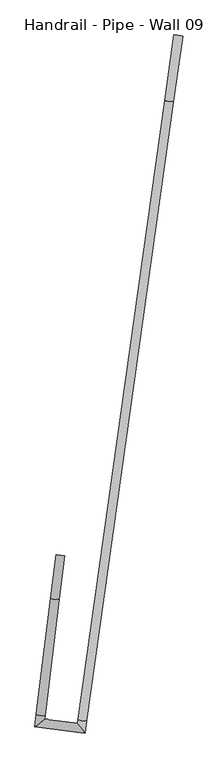
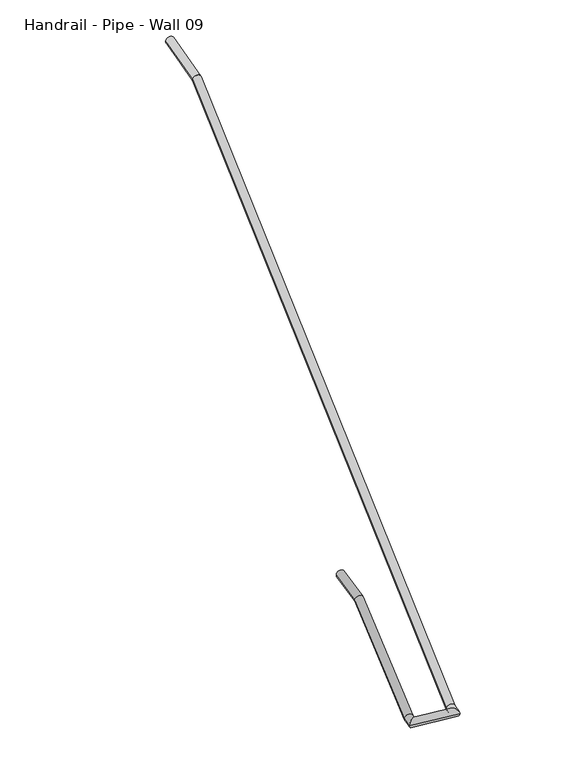
"""IFC4 building model written with IfcOpenShell, lengths in millimetres: railing geometry, Handrail - Pipe - Wall 09."""

import ifcopenshell
import ifcopenshell.guid

model = None  # the IFC model being written
_history = None  # IfcOwnerHistory: only IFC2X3 demands one
_inside = {}  # id of a spatial element -> (the spatial element, [elements in it])
_under = {}  # id of a project, library or spatial element -> (it, [spatial elements below it])
_declared = {}  # id of a project -> (the project, [libraries it declares])
_typed = {}  # id of a type object -> (the type object, [elements of that type])
_made_of = {}  # id of a material, layer set ... -> (it, [elements and type objects made of it])


def new_model(schema):
    """Start an empty IFC model of exactly this schema.

    Asked for "IFC4X3", IfcOpenShell would pick the latest addendum, in which some entities
    have other attributes; the version numbers below select the first issue.
    IFC2X3 requires an IfcOwnerHistory on every rooted entity: one is made here for all.
    """
    global model, _history
    if schema == "IFC4X3":
        model = ifcopenshell.file(schema_version=(4, 3, 0, 0))
    else:
        model = ifcopenshell.file(schema=schema)
    _inside.clear()
    _under.clear()
    _declared.clear()
    _typed.clear()
    _made_of.clear()
    _history = None
    if model.schema == "IFC2X3":
        org = make("IfcOrganization", Name="unknown")
        user = make(
            "IfcPersonAndOrganization",
            ThePerson=make("IfcPerson", FamilyName="unknown"),
            TheOrganization=org,
        )
        app = make(
            "IfcApplication",
            ApplicationDeveloper=org,
            Version="unknown",
            ApplicationFullName="unknown",
            ApplicationIdentifier="unknown",
        )
        _history = make(
            "IfcOwnerHistory",
            OwningUser=user,
            OwningApplication=app,
            ChangeAction="ADDED",
            CreationDate=0,
        )
    return model


def make(cls, **values):
    """One entity of the class cls with the attributes given. An attribute that is None is left unset."""
    return model.create_entity(
        cls, **{name: value for name, value in values.items() if value is not None}
    )


def rooted(cls, **values):
    """An entity with a GlobalId (a new one), such as an element, a storey or a relation."""
    return make(cls, GlobalId=ifcopenshell.guid.new(), OwnerHistory=_history, **values)


def si_unit(unit_type, name, prefix=None):
    """IfcSIUnit, for example si_unit("LENGTHUNIT", "METRE", prefix="MILLI")."""
    return make("IfcSIUnit", UnitType=unit_type, Prefix=prefix, Name=name)


def assignment(units):
    """IfcUnitAssignment: the units of a project."""
    return None if units is None else make("IfcUnitAssignment", Units=units)


def point(xyz):
    """IfcCartesianPoint."""
    return None if xyz is None else make("IfcCartesianPoint", Coordinates=xyz)


def direction(xyz):
    """IfcDirection."""
    return None if xyz is None else make("IfcDirection", DirectionRatios=xyz)


def frame(location, z_axis=None, x_axis=None):
    """IfcAxis2Placement3D, a coordinate frame: its origin and axes. An axis left out is left unset."""
    return make(
        "IfcAxis2Placement3D",
        Location=point(location),
        Axis=direction(z_axis),
        RefDirection=direction(x_axis),
    )


def origin():
    """The frame at (0, 0, 0) with its axes left unset."""
    return frame((0.0, 0.0, 0.0))


def place(relative_to, where):
    """IfcLocalPlacement: puts the frame where relative to a parent placement (None: the world)."""
    return make(
        "IfcLocalPlacement", PlacementRelTo=relative_to, RelativePlacement=where
    )


def context(
    kind, dimensions, precision=None, world=None, true_north=None, identifier=None
):
    """IfcGeometricRepresentationContext, for example the 3D "Model" context."""
    return make(
        "IfcGeometricRepresentationContext",
        ContextIdentifier=identifier,
        ContextType=kind,
        CoordinateSpaceDimension=dimensions,
        Precision=precision,
        WorldCoordinateSystem=world,
        TrueNorth=true_north,
    )


def project(units=None, contexts=None):
    """IfcProject with its units and contexts."""
    return rooted(
        "IfcProject",
        Name="project",
        RepresentationContexts=contexts,
        UnitsInContext=assignment(units),
    )


def spatial(cls, under=None, at=None, **own):
    """A site, building, storey or space (cls), placed at a placement, below another one or the project."""
    s = rooted(cls, ObjectPlacement=at, **own)
    if under is not None:
        _under.setdefault(under.id(), (under, []))[1].append(s)
    return s


def circle_curve(where, radius):
    """IfcCircle in the frame where."""
    return make("IfcCircle", Position=where, Radius=radius)


def ellipse_curve(where, semi_axis1, semi_axis2):
    """IfcEllipse in the frame where."""
    return make(
        "IfcEllipse", Position=where, SemiAxis1=semi_axis1, SemiAxis2=semi_axis2
    )


def shape(context_of_items, identifier, shape_type, items):
    """IfcShapeRepresentation: the items that make up one representation, for example the "Body"."""
    return make(
        "IfcShapeRepresentation",
        ContextOfItems=context_of_items,
        RepresentationIdentifier=identifier,
        RepresentationType=shape_type,
        Items=items,
    )


def source(mapping_origin, context_of_items, identifier, shape_type, items):
    """IfcRepresentationMap: a shape defined once, which mapped items show again and again."""
    return make(
        "IfcRepresentationMap",
        MappingOrigin=mapping_origin,
        MappedRepresentation=shape(context_of_items, identifier, shape_type, items),
    )


def transform(
    local_origin,
    x_axis=None,
    y_axis=None,
    z_axis=None,
    scale=None,
    scale2=None,
    scale3=None,
    uniform=True,
):
    """IfcCartesianTransformationOperator3D, or its non-uniform kind. x_axis, y_axis, z_axis: its Axis1, 2, 3."""
    if uniform:
        return make(
            "IfcCartesianTransformationOperator3D",
            Axis1=direction(x_axis),
            Axis2=direction(y_axis),
            LocalOrigin=point(local_origin),
            Scale=scale,
            Axis3=direction(z_axis),
        )
    return make(
        "IfcCartesianTransformationOperator3DnonUniform",
        Axis1=direction(x_axis),
        Axis2=direction(y_axis),
        LocalOrigin=point(local_origin),
        Scale=scale,
        Axis3=direction(z_axis),
        Scale2=scale2,
        Scale3=scale3,
    )


def mapped(mapping_source, mapping_target):
    """IfcMappedItem: shows the shape of a source again, moved by a transform."""
    return make(
        "IfcMappedItem", MappingSource=mapping_source, MappingTarget=mapping_target
    )


def made_of(thing, what):
    """Note that an element or type object is made of a material, layer set ...; save() writes the relation."""
    if what is not None:
        _made_of.setdefault(what.id(), (what, []))[1].append(thing)
    return thing


def element(
    cls,
    number,
    at=None,
    inside=None,
    cuts=None,
    type_object=None,
    material=None,
    context=None,
    identifier="Body",
    shape_type=None,
    held_by="IfcProductDefinitionShape",
    body=None,
    shapes=None,
    **own,
):
    """One element of the class cls, such as IfcWall. Its Tag is "e" and its number.

    at: its placement. inside: the storey or other place that contains it. cuts: it is an
    opening in that element (IfcRelVoidsElement). A single representation is given by context,
    identifier, shape_type and body (its items); several are given by shapes. held_by: the class
    of the entity that holds the representations. save() writes the other relations.
    """
    e = rooted(cls, Tag="e%d" % number, ObjectPlacement=at, **own)
    if body is not None:
        shapes = [shape(context, identifier, shape_type, body)]
    if shapes is not None:
        e.Representation = make(held_by, Representations=shapes)
    if inside is not None:
        _inside.setdefault(inside.id(), (inside, []))[1].append(e)
    if cuts is not None:
        rooted(
            "IfcRelVoidsElement", RelatingBuildingElement=cuts, RelatedOpeningElement=e
        )
    if type_object is not None:
        _typed.setdefault(type_object.id(), (type_object, []))[1].append(e)
    return made_of(e, material)


def aggregate(whole, parts):
    """IfcRelAggregates: a whole, such as a stair, and the parts it consists of."""
    return rooted("IfcRelAggregates", RelatingObject=whole, RelatedObjects=parts)


def save(model, path):
    """Write the relations noted so far, then the file.

    IfcRelAggregates (storeys below a building ...), IfcRelContainedInSpatialStructure (elements
    in a storey), IfcRelDefinesByType, IfcRelAssociatesMaterial and IfcRelDeclares: one each for
    every whole, place, type object, material and project.
    """
    for whole, parts in _under.values():
        aggregate(whole, parts)
    for where, things in _inside.values():
        rooted(
            "IfcRelContainedInSpatialStructure",
            RelatedElements=things,
            RelatingStructure=where,
        )
    for kind, things in _typed.values():
        rooted("IfcRelDefinesByType", RelatedObjects=things, RelatingType=kind)
    for what, things in _made_of.values():
        rooted("IfcRelAssociatesMaterial", RelatedObjects=things, RelatingMaterial=what)
    for by, libraries in _declared.values():
        rooted("IfcRelDeclares", RelatingContext=by, RelatedDefinitions=libraries)
    model.write(path)


def plane_surface(at):
    """IfcPlane: the flat surface through the origin of the frame at, square to its z axis."""
    return make("IfcPlane", Position=at)


def cylinder_surface(at, radius):
    """IfcCylindricalSurface: all points at the distance radius from the z axis of the frame at."""
    return make("IfcCylindricalSurface", Position=at, Radius=radius)


def advanced_brep(points, edges, surfaces, faces):
    """IfcAdvancedBrep: a solid bounded by faces that lie on surfaces and meet in shared edges.

    An edge is (start, end): straight between two places in points (the first is 0);
    or (start, end, curve); or (start, end, curve, False) where it runs against its curve.
    A face is (place in surfaces, loops), or (place, loops, False) where it looks against
    its surface's normal. A loop lists edges by number (the first is 1), with a minus sign
    where the edge is run from its end to its start. The first loop is the outer one.
    """
    corners = [point(p) for p in points]
    vertices = [make("IfcVertexPoint", VertexGeometry=c) for c in corners]
    made = []
    for start, end, *more in edges:
        made.append(
            make(
                "IfcEdgeCurve",
                EdgeStart=vertices[start],
                EdgeEnd=vertices[end],
                EdgeGeometry=more[0] if more else make("IfcPolyline", Points=[corners[start], corners[end]]),
                SameSense=more[1] if len(more) > 1 else True,
            )
        )
    hull = []
    for where, loops, *sense in faces:
        bounds = []
        for j, loop in enumerate(loops):
            ring = [make("IfcOrientedEdge", EdgeElement=made[abs(k) - 1], Orientation=k > 0) for k in loop]
            bounds.append(
                make(
                    "IfcFaceOuterBound" if j == 0 else "IfcFaceBound",
                    Bound=make("IfcEdgeLoop", EdgeList=ring),
                    Orientation=True,
                )
            )
        hull.append(make("IfcAdvancedFace", Bounds=bounds, FaceSurface=surfaces[where], SameSense=sense[0] if sense else True))
    return make("IfcAdvancedBrep", Outer=make("IfcClosedShell", CfsFaces=hull))


def handrail_pipe_wall_09_806f57ef(model_context):
    return source(origin(), model_context, "Body", "AdvancedBrep", [
        advanced_brep(
        [(-15408.3787004, 19007.3059949, -10109.2), (-15446.1947087, 19011.9492168, -10109.2), (-15431.376333, 18820.0053075, -10109.2), (-15469.1923414, 18824.6485294, -10109.2), (-15531.7238303, 18315.3704213, -10363.2), (-15493.9078219, 18310.7271994, -10363.2), (-15495.9987383, 18293.6980522, -10363.2), (-15538.4579686, 18260.5252658, -10363.2), (-15351.4673952, 18275.9518347, -10363.2), (-15318.9489292, 18233.5729448, -10363.2), (-15349.0304867, 18293.2913389, -10363.2), (-15311.3012733, 18287.9888438, -10363.2), (-14968.9341683, 20997.817175, -9042.4), (-14931.2049549, 20992.5146798, -9042.4), (-14928.8891427, 21282.7523377, -9042.4), (-14891.1599293, 21277.4498426, -9042.4)],
        [
            (0, 1, circle_curve(frame((-15427.2867046, 19009.6276058, -10109.2), z_axis=(0.12186934340515017, 0.9925461516413218, 0.0), x_axis=(-0.9925461516413218, 0.12186934340515017, 0.0)), 19.05)),
            (1, 0, circle_curve(frame((-15427.2867046, 19009.6276058, -10109.2), z_axis=(0.12186934340515017, 0.9925461516413218, 0.0), x_axis=(-0.9925461516413218, 0.12186934340515017, 0.0)), 19.05)),
            (0, 2),
            (2, 3, ellipse_curve(frame((-15450.2843372, 18822.3269184, -10109.2), z_axis=(0.11866478092330167, 0.9664470846390696, 0.22781286697872805), x_axis=(0.027763404517948478, 0.2261147844141132, -0.9737049335599218)), 19.5644485, 19.05)),
            (3, 1),
            (3, 2, ellipse_curve(frame((-15450.2843372, 18822.3269184, -10109.2), z_axis=(0.11866478092330167, 0.9664470846390696, 0.22781286697872805), x_axis=(0.027763404517948478, 0.2261147844141132, -0.9737049335599218)), 19.5644485, 19.05)),
            (4, 5, ellipse_curve(frame((-15512.8158261, 18313.0488103, -10363.2), z_axis=(-0.11866478092330168, -0.9664470846390696, -0.22781286697872802), x_axis=(0.0277634045179486, 0.2261147844141132, -0.9737049335599219)), 19.5644485, 19.05)),
            (5, 6),
            (6, 7, ellipse_curve(frame((-15517.2283534, 18277.111659, -10363.2), z_axis=(-0.6156614753256539, 0.7880107536067253, 0.0), x_axis=(0.7880107536067252, 0.6156614753256541, 0.0)), 26.9407684, 19.05)),
            (7, 4),
            (5, 4, ellipse_curve(frame((-15512.8158261, 18313.0488103, -10363.2), z_axis=(-0.11866478092330168, -0.9664470846390696, -0.22781286697872802), x_axis=(0.0277634045179486, 0.2261147844141132, -0.9737049335599219)), 19.5644485, 19.05)),
            (7, 6, ellipse_curve(frame((-15517.2283534, 18277.111659, -10363.2), z_axis=(-0.6156614753256539, 0.7880107536067253, 0.0), x_axis=(0.7880107536067252, 0.6156614753256541, 0.0)), 26.9407684, 19.05)),
            (6, 8),
            (8, 9, ellipse_curve(frame((-15335.2081622, 18254.7623897, -10363.2), z_axis=(-0.7933533402912379, -0.6087614290087172, 0.0), x_axis=(-0.6087614290087169, 0.7933533402912378, 0.0)), 26.7087108, 19.05)),
            (9, 7),
            (9, 8, ellipse_curve(frame((-15335.2081622, 18254.7623897, -10363.2), z_axis=(-0.7933533402912379, -0.6087614290087172, 0.0), x_axis=(-0.6087614290087169, 0.7933533402912378, 0.0)), 26.7087108, 19.05)),
            (8, 10),
            (10, 11, ellipse_curve(frame((-15330.16588, 18290.6400914, -10363.2), z_axis=(-0.13565808321449646, -0.9652574179011021, -0.2233271180252541), x_axis=(-0.031081127544049833, -0.2211537138644901, 0.9747435551746592)), 19.5436019, 19.05)),
            (11, 9),
            (11, 10, ellipse_curve(frame((-15330.16588, 18290.6400914, -10363.2), z_axis=(-0.13565808321449646, -0.9652574179011021, -0.2233271180252541), x_axis=(-0.031081127544049833, -0.2211537138644901, 0.9747435551746592)), 19.5436019, 19.05)),
            (2, 5),
            (4, 3),
            (10, 12),
            (12, 13, ellipse_curve(frame((-14950.0695616, 20995.1659274, -9042.4), z_axis=(-0.13565808321449654, -0.9652574179011022, -0.22332711802525415), x_axis=(0.031081127544049965, 0.22115371386448912, -0.9747435551746593)), 19.5436019, 19.05)),
            (13, 11),
            (13, 12, ellipse_curve(frame((-14950.0695616, 20995.1659274, -9042.4), z_axis=(-0.13565808321449654, -0.9652574179011022, -0.22332711802525415), x_axis=(0.031081127544049965, 0.22115371386448912, -0.9747435551746593)), 19.5436019, 19.05)),
            (14, 15, circle_curve(frame((-14910.024536, 21280.1010901, -9042.4), z_axis=(0.13917310096006616, 0.9902680687415703, 0.0), x_axis=(0.9902680687415703, -0.13917310096006616, 0.0)), 19.05)),
            (15, 14, circle_curve(frame((-14910.024536, 21280.1010901, -9042.4), z_axis=(0.13917310096006616, 0.9902680687415703, 0.0), x_axis=(0.9902680687415703, -0.13917310096006616, 0.0)), 19.05)),
            (12, 14),
            (15, 13),
        ],
        [
            plane_surface(frame((-15427.2867046, 19009.6276058, -10090.15), z_axis=(0.12186934340515018, 0.9925461516413218, 0.0), x_axis=(0.9925461516413218, -0.12186934340515018, 0.0))),
            cylinder_surface(frame((-15427.2867046, 19009.6276058, -10109.2), z_axis=(0.12186934340515017, 0.9925461516413218, 0.0), x_axis=(-0.9925461516413218, 0.12186934340515017, 0.0)), 19.05),
            cylinder_surface(frame((-15513.3590018, 18308.6249993, -10363.2), z_axis=(0.12186934340515021, 0.9925461516413218, 0.0), x_axis=(-0.9925461516413218, 0.12186934340515021, 0.0)), 19.05),
            cylinder_surface(frame((-15517.2283534, 18277.111659, -10363.2), z_axis=(-0.9925461516413211, 0.12186934340515572, 0.0), x_axis=(-0.12186934340515572, -0.9925461516413211, 0.0)), 19.05),
            cylinder_surface(frame((-15335.2081622, 18254.7623897, -10363.2), z_axis=(-0.13917310096006605, -0.9902680687415704, 0.0), x_axis=(0.9902680687415704, -0.13917310096006605, 0.0)), 19.05),
            cylinder_surface(frame((-15449.7975417, 18826.2915494, -10107.2226594), z_axis=(0.1092196218445022, 0.8895224370340099, 0.4436450250112356), x_axis=(-0.9925461516413221, 0.12186934340514745, 0.0)), 19.05),
            cylinder_surface(frame((-15329.6190347, 18294.531098, -10361.2997624), z_axis=(-0.12529058368129015, -0.8914888256256943, -0.43537333798169386), x_axis=(0.9902680687415704, -0.13917310096006588, 0.0)), 19.05),
            plane_surface(frame((-14910.024536, 21280.1010901, -9023.35), z_axis=(0.13917310096006613, 0.9902680687415703, 0.0), x_axis=(0.9902680687415703, -0.13917310096006613, 0.0))),
            cylinder_surface(frame((-14950.6769988, 20990.8437873, -9042.4), z_axis=(-0.13917310096006616, -0.9902680687415703, 0.0), x_axis=(0.9902680687415703, -0.13917310096006616, 0.0)), 19.05),
        ],
        [
            (0, [[1, 2]]),
            (1, [[-1, 3, 4, 5]]),
            (1, [[-2, -5, 6, -3]]),
            (2, [[7, 8, 9, 10]]),
            (2, [[11, -10, 12, -8]]),
            (3, [[-9, 13, 14, 15]]),
            (3, [[-12, -15, 16, -13]]),
            (4, [[-14, 17, 18, 19]]),
            (4, [[-16, -19, 20, -17]]),
            (5, [[-4, 21, -7, 22]]),
            (5, [[-6, -22, -11, -21]]),
            (6, [[-18, 23, 24, 25]]),
            (6, [[-20, -25, 26, -23]]),
            (7, [[27, 28]]),
            (8, [[-24, 29, -28, 30]]),
            (8, [[-26, -30, -27, -29]]),
        ],
    ),
    ])


if __name__ == "__main__":
    model = new_model("IFC4")
    model_context = context("Model", 3, world=origin())
    ifc_project = project(units=[si_unit("LENGTHUNIT", "METRE", prefix="MILLI")], contexts=[model_context])
    site = spatial("IfcSite", under=ifc_project)
    building = spatial("IfcBuilding", under=site)
    placement = place(None, origin())
    handrail_pipe_wall_09_shape = handrail_pipe_wall_09_806f57ef(model_context)
    element("IfcRailing", 1, ObjectType="Handrail - Pipe - Wall 09", at=placement, inside=building, context=model_context, shape_type="MappedRepresentation", body=[
        mapped(handrail_pipe_wall_09_shape, transform((0.0, 0.0, 0.0), x_axis=(1.0, 0.0, 0.0), y_axis=(0.0, 1.0, 0.0), z_axis=(0.0, 0.0, 1.0))),
    ])
    save(model, "model.ifc")
